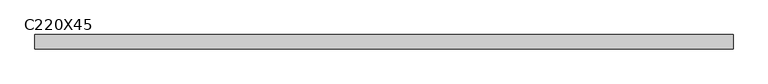
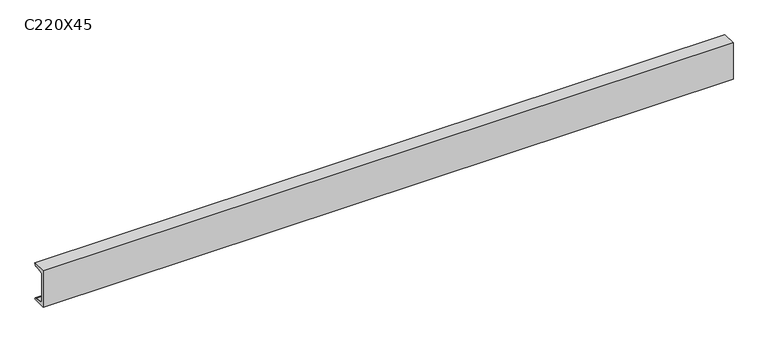
"""IFC4 building model written with IfcOpenShell, lengths in millimetres: beam geometry, C220X45."""

from ifc_helpers import new_model, si_unit, point, frame, frame_2d, origin, place, context, project, spatial, polyline, circle_curve, trimmed, segment, composite_curve, outline, extrude, source, transform, mapped, element, save


def c220x45_0ec60428(model_context):
    return source(origin(), model_context, "Body", "SweptSolid", [
        extrude(outline(composite_curve([segment(polyline([(-17.0, 110.0), (64.0, 110.0)]), True, "CONTINUOUS"), segment(trimmed(circle_curve(frame_2d((51.0, 110.0)), 13.0), [point((64.0, 110.0))], [point((51.0, 97.0))], False, "CARTESIAN"), True, "CONTINUOUS"), segment(polyline([(51.0, 97.0), (-4.0, 88.2888558), (-4.0, -88.2888558), (51.0, -97.0)]), True, "CONTINUOUS"), segment(trimmed(circle_curve(frame_2d((51.0, -110.0)), 13.0), [point((51.0, -97.0))], [point((64.0, -110.0))], False, "CARTESIAN"), True, "CONTINUOUS"), segment(polyline([(64.0, -110.0), (-17.0, -110.0), (-17.0, 110.0)]), True, "CONTINUOUS")], self_intersect=False)), frame((-1991.5, 0.0, 0.0), z_axis=(1.0, 0.0, 0.0), x_axis=(0.0, 1.0, 0.0)), (0.0, 0.0, 1.0), 3983.0),
    ])


if __name__ == "__main__":
    model = new_model("IFC4")
    model_context = context("Model", 3, world=origin())
    ifc_project = project(units=[si_unit("LENGTHUNIT", "METRE", prefix="MILLI")], contexts=[model_context])
    site = spatial("IfcSite", under=ifc_project)
    building = spatial("IfcBuilding", under=site)
    placement = place(None, origin())
    c220x45_shape = c220x45_0ec60428(model_context)
    element("IfcBeam", 1, ObjectType="C220X45", at=placement, inside=building, context=model_context, shape_type="MappedRepresentation", body=[
        mapped(c220x45_shape, transform((0.0, 0.0, 0.0), x_axis=(1.0, 0.0, 0.0), y_axis=(0.0, 1.0, 0.0), z_axis=(0.0, 0.0, 1.0))),
    ])
    save(model, "model.ifc")
